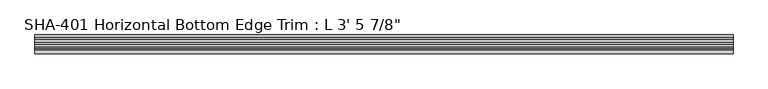
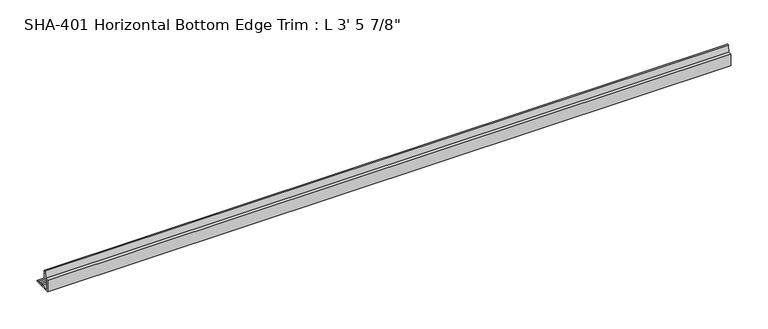
"""IFC4 building model written with IfcOpenShell, lengths in millimetres: proxy geometry."""

from ifc_helpers import new_model, si_unit, point, frame, frame_2d, origin, place, context, project, spatial, polyline, circle_curve, trimmed, segment, composite_curve, outline, extrude, source, transform, mapped, element, save


def proxy_945ee2df(model_context):
    return source(origin(), model_context, "Body", "SweptSolid", [
        extrude(outline(composite_curve([segment(trimmed(circle_curve(frame_2d((8.3323235, 28.4438454)), 1.6162393), [point((7.2036308, 29.6006869))], [point((9.525, 29.5346031))], False, "CARTESIAN"), True, "CONTINUOUS"), segment(polyline([(9.525, 29.5346031), (9.525, 17.1196), (3.81, 17.1196)]), True, "CONTINUOUS"), segment(trimmed(circle_curve(frame_2d((3.81, 15.2146)), 1.905), [point((3.81, 17.1196))], [point((1.905, 15.2146))], True, "CARTESIAN"), True, "CONTINUOUS"), segment(polyline([(1.905, 15.2146), (1.905, 3.81)]), True, "CONTINUOUS"), segment(trimmed(circle_curve(frame_2d((3.81, 3.81)), 1.905), [point((1.905, 3.81))], [point((3.81, 1.905))], True, "CARTESIAN"), True, "CONTINUOUS"), segment(polyline([(3.81, 1.905), (13.9230434, 1.905)]), True, "CONTINUOUS"), segment(trimmed(circle_curve(frame_2d((15.4432, 1.4838146)), 1.5774262), [point((13.9230434, 1.905))], [point((17.018, 1.5748))], False, "CARTESIAN"), True, "CONTINUOUS"), segment(polyline([(17.018, 1.5748), (21.5549919, 1.5748)]), True, "CONTINUOUS"), segment(trimmed(circle_curve(frame_2d((23.1297919, 1.5748)), 1.5748), [point((21.5549919, 1.5748))], [point((24.7045919, 1.5748))], False, "CARTESIAN"), True, "CONTINUOUS"), segment(polyline([(24.7045919, 1.5748), (28.575, 1.5748), (28.575, 0.0), (13.8696178, 0.0), (0.0, 0.0), (0.0, 19.0246), (5.392657, 19.0246), (7.2036308, 29.6006869)]), True, "CONTINUOUS")], self_intersect=False)), frame((0.0, 0.0, 0.0), z_axis=(1.0, 0.0, 0.0), x_axis=(0.0, 1.0, 0.0)), (0.0, 0.0, 1.0), 1063.625),
    ])


if __name__ == "__main__":
    model = new_model("IFC4")
    model_context = context("Model", 3, world=origin())
    ifc_project = project(units=[si_unit("LENGTHUNIT", "METRE", prefix="MILLI")], contexts=[model_context])
    site = spatial("IfcSite", under=ifc_project)
    building = spatial("IfcBuilding", under=site)
    placement = place(None, origin())
    proxy_shape = proxy_945ee2df(model_context)
    element("IfcBuildingElementProxy", 1, Name="SHA-401 Horizontal Bottom Edge Trim : L 3' 5 7/8\"", ObjectType="SHA-401 Horizontal Bottom Edge Trim : L 3' 5 7/8\"", at=placement, inside=building, context=model_context, shape_type="MappedRepresentation", body=[
        mapped(proxy_shape, transform((0.0, 0.0, 0.0), x_axis=(1.0, 0.0, 0.0), y_axis=(0.0, 1.0, 0.0), z_axis=(0.0, 0.0, 1.0))),
    ])
    save(model, "model.ifc")
